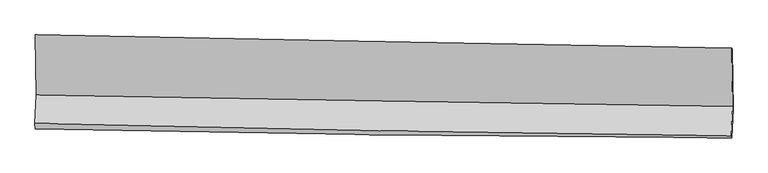
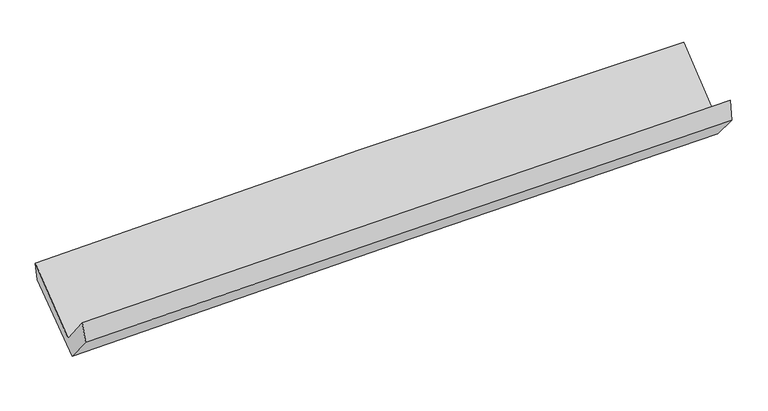
"""IFC4 building model written with IfcOpenShell, lengths in millimetres: proxy geometry."""

from ifc_helpers import new_model, si_unit, frame, origin, place, context, project, spatial, source, transform, mapped, element, save
from ifc_brep_helpers import plane_surface, spline_curve, spline_surface, advanced_brep


def generic_models_9e5747ac(model_context):
    return source(origin(), model_context, "Body", "AdvancedBrep", [
        advanced_brep(
        [(-3023.0238324, -1150.6544062, 2147.8928633), (-3015.8918011, -1671.8839599, 1717.7199379), (3009.6685971, -1770.2698846, 1864.9325019), (3002.1620032, -1264.9134447, 2302.9281362), (-3027.1075655, -1921.2128626, 2029.1307793), (2997.971425, -2027.5139676, 2190.6615007), (-3022.7433422, -1966.4752275, 1859.3663995), (3003.1713167, -2046.6473455, 2000.273434), (-3012.3603527, -1729.0504533, 1573.3348349), (3013.6937216, -1796.0099777, 1713.8247282), (-3019.1386978, -1178.9724312, 2000.8543651), (3007.1392782, -1278.4704678, 2122.3155554)],
        [
            (0, 1),
            (1, 2, spline_curve(3, [(-3015.8918011, -1671.8839599, 1717.7199379), (-2011.942973924, -1690.658277282, 1752.87088436), (-1007.844500547, -1708.244179273, 1782.713988756), (1000.675625373, -1741.039544325, 1831.78509579), (2005.097284315, -1756.248950159, 1851.012846313), (3009.6685971, -1770.2698846, 1864.9325019)], [4, 2, 4], [0.0, 9.8889580447714, 19.778151288414122])),
            (2, 3),
            (3, 0, spline_curve(3, [(3002.1620032, -1264.9134447, 2302.9281362), (1997.408358414, -1246.433476651, 2296.978030803), (992.926748967, -1227.671789652, 2281.083100057), (-1015.468516825, -1189.585430265, 2229.404202901), (-2019.382185598, -1170.260770953, 2193.620708993), (-3023.0238324, -1150.6544062, 2147.8928633)], [4, 2, 4], [0.0, 9.889193243642723, 19.778151288414122])),
            (1, 4),
            (4, 5, spline_curve(3, [(-3027.1075655, -1921.2128626, 2029.1307793), (-2023.157639772, -1945.819274476, 2062.251172598), (-1019.098733109, -1966.980841416, 2092.272139531), (989.260925427, -2002.414706958, 2146.115860571), (1993.561682064, -2016.686841627, 2169.938467738), (2997.971425, -2027.5139676, 2190.6615007)], [4, 2, 4], [0.0, 9.888738964533482, 19.777713122727686])),
            (5, 2),
            (4, 6),
            (6, 7, spline_curve(3, [(-3022.7433422, -1966.4752275, 1859.3663995), (-2018.67979362, -1987.058525945, 1889.843325239), (-1014.49443727, -2004.031148493, 1916.823943171), (994.143776301, -2030.755359708, 1963.793120779), (1998.596639981, -2040.50677622, 1983.781514577), (3003.1713167, -2046.6473455, 2000.273434)], [4, 2, 4], [0.0, 9.888657584182022, 19.777550360089215])),
            (7, 5),
            (6, 8),
            (8, 9, spline_curve(3, [(-3012.3603527, -1729.0504533, 1573.3348349), (-2008.09960309, -1739.990658464, 1600.132463659), (-1003.80402734, -1751.040653638, 1625.238650317), (1004.880662323, -1773.360490186, 1672.068694979), (2009.269778242, -1784.630336149, 1693.792473184), (3013.6937216, -1796.0099777, 1713.8247282)], [4, 2, 4], [0.0, 9.888514510788388, 19.777264209899094])),
            (9, 7),
            (8, 10),
            (10, 11, spline_curve(3, [(-3019.1386978, -1178.9724312, 2000.8543651), (-2014.947923351, -1191.816956954, 2029.475786772), (-1010.668677695, -1206.530601966, 2053.908192868), (998.090643166, -1239.696525438, 2094.395455401), (2002.570722966, -1258.148892501, 2110.450112898), (3007.1392782, -1278.4704678, 2122.3155554)], [4, 2, 4], [0.0, 9.888658159190504, 19.777551510119856])),
            (11, 9),
            (10, 0),
            (3, 11),
        ],
        [
            spline_surface(3, 3, [[(-3023.0238324, -1150.6544062, 2147.8928633), (-2019.382185607, -1170.260771036, 2193.620709156), (-1015.468516739, -1189.585430177, 2229.404202808), (992.92674888, -1227.67178974, 2281.08310015), (1997.408358494, -1246.433476773, 2296.97803079), (3002.1620032, -1264.9134447, 2302.9281362)], [(-3020.646488625, -1324.39759074, 2004.50188815), (-2016.902448406, -1343.726606373, 2046.704100926), (-1012.927177949, -1362.471679925, 2080.507464776), (995.509707665, -1398.794374564, 2131.31709873), (1999.971333745, -1416.371967885, 2148.3229693), (3004.664201138, -1433.365591336, 2156.929591436)], [(-3018.269144875, -1498.14077536, 1861.11091305), (-2014.422711229, -1517.192441791, 1899.787492748), (-1010.385839179, -1535.357929655, 1931.610726716), (998.09266643, -1569.91695937, 1981.551097282), (2002.534309081, -1586.310458988, 1999.667907804), (3007.166399162, -1601.817737964, 2010.931046664)], [(-3015.8918011, -1671.8839599, 1717.7199379), (-2011.942974027, -1690.658277129, 1752.870884519), (-1007.844500389, -1708.244179403, 1782.713988685), (1000.675625215, -1741.039544194, 1831.785095862), (2005.097284332, -1756.2489501, 1851.012846315), (3009.6685971, -1770.2698846, 1864.9325019)]], [4, 4], [4, 2, 4], [0.0, 2.2421064985537593], [0.0, 9.8889580447714, 19.778151288414122]),
            spline_surface(3, 3, [[(-3015.8918011, -1671.8839599, 1717.7199379), (-2011.942974027, -1690.658277129, 1752.870884519), (-1007.844500389, -1708.244179403, 1782.713988685), (1000.675625215, -1741.039544194, 1831.785095862), (2005.097284332, -1756.2489501, 1851.012846315), (3009.6685971, -1770.2698846, 1864.9325019)], [(-3019.630389233, -1754.993594149, 1821.523551719), (-2015.681195917, -1775.711942909, 1855.997647222), (-1011.595911273, -1794.489733396, 1885.900038939), (996.870725231, -1828.164598434, 1936.562017469), (2001.252083597, -1843.061580596, 1957.321386742), (3005.769539733, -1856.017912255, 1973.508834831)], [(-3023.368977367, -1838.103228351, 1925.327165481), (-2019.419417807, -1860.765608641, 1959.124409868), (-1015.347322109, -1880.735287429, 1989.086089178), (993.065825295, -1915.289652713, 2041.338939062), (1997.406882865, -1929.874211127, 2063.629927177), (3001.870482367, -1941.765939945, 2082.085167769)], [(-3027.1075655, -1921.2128626, 2029.1307793), (-2023.157639697, -1945.819274421, 2062.251172571), (-1019.098732993, -1966.980841421, 2092.272139432), (989.260925311, -2002.414706953, 2146.115860669), (1993.56168213, -2016.686841622, 2169.938467604), (2997.971425, -2027.5139676, 2190.6615007)]], [4, 4], [4, 2, 4], [0.0, 1.3329537876652529], [0.0, 9.888738964533482, 19.777713122727686]),
            spline_surface(3, 3, [[(-3027.1075655, -1921.2128626, 2029.1307793), (-2023.157639697, -1945.819274421, 2062.251172571), (-1019.098732993, -1966.980841421, 2092.272139432), (989.260925311, -2002.414706953, 2146.115860669), (1993.56168213, -2016.686841622, 2169.938467604), (2997.971425, -2027.5139676, 2190.6615007)], [(-3025.652824405, -1936.300317558, 1972.542652698), (-2021.665024316, -1959.565691598, 2004.781890154), (-1017.563967785, -1979.330943803, 2033.789407304), (990.888542363, -2011.861591191, 2085.341614071), (1995.240001402, -2024.626819884, 2107.886149954), (2999.704722238, -2033.891760241, 2127.198811808)], [(-3024.198083295, -1951.387772542, 1915.954526102), (-2020.172408922, -1973.3121088, 1947.312607745), (-1016.029202611, -1991.681046167, 1975.306675191), (992.516159382, -2021.308475413, 2024.567367487), (1996.918320662, -2032.566798122, 2045.833832281), (3001.438019462, -2040.269552859, 2063.736122892)], [(-3022.7433422, -1966.4752275, 1859.3663995), (-2018.679793541, -1987.058525977, 1889.843325328), (-1014.494437403, -2004.031148549, 1916.823943062), (994.143776434, -2030.755359651, 1963.793120888), (1998.596639933, -2040.506776383, 1983.781514631), (3003.1713167, -2046.6473455, 2000.273434)]], [4, 4], [4, 2, 4], [0.0, 0.5968201192615427], [0.0, 9.888657584182022, 19.777550360089215]),
            spline_surface(3, 3, [[(-3022.7433422, -1966.4752275, 1859.3663995), (-2018.679793541, -1987.058525977, 1889.843325328), (-1014.494437403, -2004.031148549, 1916.823943062), (994.143776434, -2030.755359651, 1963.793120888), (1998.596639933, -2040.506776383, 1983.781514631), (3003.1713167, -2046.6473455, 2000.273434)], [(-3019.282345684, -1887.333636107, 1764.02254462), (-2015.153063334, -1904.70257015, 1793.273038142), (-1010.930967402, -1919.700983631, 1819.628845449), (997.722738409, -1944.957069775, 1866.551645633), (2002.154352712, -1955.214629631, 1887.118500777), (3006.678785004, -1963.101556207, 1904.790532047)], [(-3015.821349216, -1808.192044693, 1668.67868978), (-2011.626333175, -1822.346614304, 1696.702750994), (-1007.36749739, -1835.370818717, 1722.433747812), (1001.301700397, -1859.158779902, 1769.310170353), (2005.712065479, -1869.922482958, 1790.455486983), (3010.186253296, -1879.555766993, 1809.307630153)], [(-3012.3603527, -1729.0504533, 1573.3348349), (-2008.099602968, -1739.990658478, 1600.132463808), (-1003.804027389, -1751.040653799, 1625.238650199), (1004.880662373, -1773.360490025, 1672.068695097), (2009.269778257, -1784.630336207, 1693.792473129), (3013.6937216, -1796.0099777, 1713.8247282)]], [4, 4], [4, 2, 4], [0.0, 1.271936699897878], [0.0, 9.888514510788388, 19.777264209899094]),
            spline_surface(3, 3, [[(-3012.3603527, -1729.0504533, 1573.3348349), (-2008.099602968, -1739.990658478, 1600.132463808), (-1003.804027389, -1751.040653799, 1625.238650199), (1004.880662373, -1773.360490025, 1672.068695097), (2009.269778257, -1784.630336207, 1693.792473129), (3013.6937216, -1796.0099777, 1713.8247282)], [(-3014.619801091, -1545.691112602, 1715.841344987), (-2010.382376446, -1557.266091307, 1743.246904773), (-1006.092244205, -1569.537303232, 1768.128497704), (1002.61732268, -1595.472501814, 1812.844281861), (2007.036759873, -1609.136521644, 1832.67835301), (3011.508907127, -1623.496807759, 1849.988337257)], [(-3016.879249409, -1362.331771898, 1858.347855013), (-2012.665149851, -1374.54152413, 1886.361345679), (-1008.380461013, -1388.033952622, 1911.018345292), (1000.353982993, -1417.58451356, 1953.619868707), (2004.80374151, -1433.642707005, 1971.56423292), (3009.324092673, -1450.983637741, 1986.151946343)], [(-3019.1386978, -1178.9724312, 2000.8543651), (-2014.947923329, -1191.816956959, 2029.475786644), (-1010.668677829, -1206.530602055, 2053.908192797), (998.0906433, -1239.696525349, 2094.395455471), (2002.570723126, -1258.148892442, 2110.450112801), (3007.1392782, -1278.4704678, 2122.3155554)]], [4, 4], [4, 2, 4], [0.0, 2.253318215882219], [0.0, 9.888658159190504, 19.777551510119856]),
            spline_surface(3, 3, [[(-3019.1386978, -1178.9724312, 2000.8543651), (-2014.947923329, -1191.816956959, 2029.475786644), (-1010.668677829, -1206.530602055, 2053.908192797), (998.0906433, -1239.696525349, 2094.395455471), (2002.570723126, -1258.148892442, 2110.450112801), (3007.1392782, -1278.4704678, 2122.3155554)], [(-3020.433742662, -1169.533089544, 2049.867197826), (-2016.42601075, -1184.631561662, 2084.190760808), (-1012.268624128, -1200.882211417, 2112.406862811), (996.369345164, -1235.688280135, 2156.624670375), (2000.849934943, -1254.243753888, 2172.626085486), (3005.480186561, -1273.951460102, 2182.519749022)], [(-3021.728787538, -1160.093747856, 2098.880030574), (-2017.904098186, -1177.446166333, 2138.905734992), (-1013.86857044, -1195.233820814, 2170.905532794), (994.648047016, -1231.680034955, 2218.853885247), (1999.129146677, -1250.338615328, 2234.802058104), (3003.821094839, -1269.432452398, 2242.723942578)], [(-3023.0238324, -1150.6544062, 2147.8928633), (-2019.382185607, -1170.260771036, 2193.620709156), (-1015.468516739, -1189.585430177, 2229.404202808), (992.92674888, -1227.67178974, 2281.08310015), (1997.408358494, -1246.433476773, 2296.97803079), (3002.1620032, -1264.9134447, 2302.9281362)]], [4, 4], [4, 2, 4], [0.0, 0.5962553454161639], [0.0, 9.8890157815632, 19.778266763370937]),
            plane_surface(frame((3005.6343903, -1697.3041813, 2032.4893094), z_axis=(0.9995536962271685, -0.009654463969453776, 0.028270119986800263), x_axis=(-0.009940622822601464, 0.7849125750605371, 0.6195267819309634))),
            plane_surface(frame((-3020.0442653, -1603.0415568, 1888.0498633), z_axis=(-0.9995536962271623, 0.0096544639696254, -0.028270119986961693), x_axis=(0.025937047107157173, -0.1890503228509164, -0.9816247984934597))),
        ],
        [
            (0, [[1, 2, 3, 4]]),
            (1, [[5, 6, 7, -2]]),
            (2, [[8, 9, 10, -6]]),
            (3, [[11, 12, 13, -9]]),
            (4, [[14, 15, 16, -12]]),
            (5, [[17, -4, 18, -15]]),
            (6, [[-16, -18, -3, -7, -10, -13]]),
            (7, [[-17, -14, -11, -8, -5, -1]]),
        ],
    ),
    ])


if __name__ == "__main__":
    model = new_model("IFC4")
    model_context = context("Model", 3, world=origin())
    ifc_project = project(units=[si_unit("LENGTHUNIT", "METRE", prefix="MILLI")], contexts=[model_context])
    site = spatial("IfcSite", under=ifc_project)
    building = spatial("IfcBuilding", under=site)
    placement = place(None, origin())
    generic_models_shape = generic_models_9e5747ac(model_context)
    element("IfcBuildingElementProxy", 1, Name="Generic Models", at=placement, inside=building, context=model_context, shape_type="MappedRepresentation", body=[
        mapped(generic_models_shape, transform((0.0, 0.0, 0.0), x_axis=(1.0, 0.0, 0.0), y_axis=(0.0, 1.0, 0.0), z_axis=(0.0, 0.0, 1.0))),
    ])
    save(model, "model.ifc")
